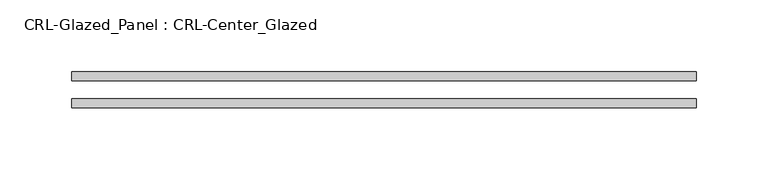
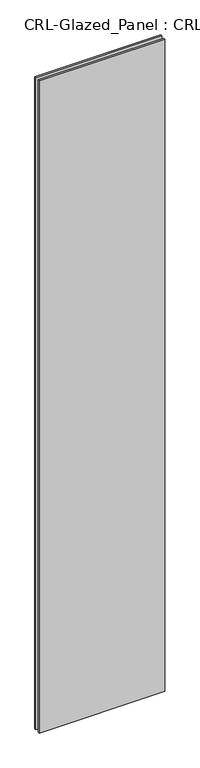
"""IFC4 building model written with IfcOpenShell, lengths in millimetres: plate geometry, CRL-Glazed_Panel : CRL-Center_Glazed."""

from ifc_helpers import new_model, si_unit, origin, origin_with_axes, place, context, project, spatial, polyline, outline, extrude, source, transform, mapped, element, save


def crl_glazed_panel_crl_center_glazed_ecccc2a0(model_context):
    return source(origin(), model_context, "Body", "SweptSolid", [
        extrude(outline(polyline([(218.4956292, -12.7), (-218.4956292, -12.7), (-218.4956292, -6.35), (218.4956292, -6.35), (218.4956292, -12.7)])), origin_with_axes(), (0.0, 0.0, 1.0), 2396.6435008),
        extrude(outline(polyline([(-218.4956292, 6.35), (-218.4956292, 12.7), (218.4956292, 12.7), (218.4956292, 6.35), (-218.4956292, 6.35)])), origin_with_axes(), (0.0, 0.0, 1.0), 2396.6435008),
    ])


if __name__ == "__main__":
    model = new_model("IFC4")
    model_context = context("Model", 3, world=origin())
    ifc_project = project(units=[si_unit("LENGTHUNIT", "METRE", prefix="MILLI")], contexts=[model_context])
    site = spatial("IfcSite", under=ifc_project)
    building = spatial("IfcBuilding", under=site)
    placement = place(None, origin())
    crl_glazed_panel_crl_center_glazed_shape = crl_glazed_panel_crl_center_glazed_ecccc2a0(model_context)
    element("IfcPlate", 1, ObjectType="CRL-Glazed_Panel : CRL-Center_Glazed", at=placement, inside=building, context=model_context, shape_type="MappedRepresentation", body=[
        mapped(crl_glazed_panel_crl_center_glazed_shape, transform((0.0, 0.0, 0.0), x_axis=(1.0, 0.0, 0.0), y_axis=(0.0, 1.0, 0.0), z_axis=(0.0, 0.0, 1.0))),
    ])
    save(model, "model.ifc")
